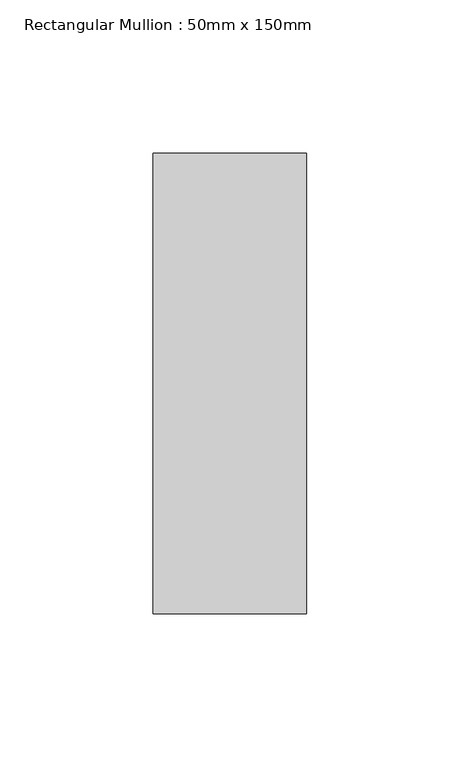
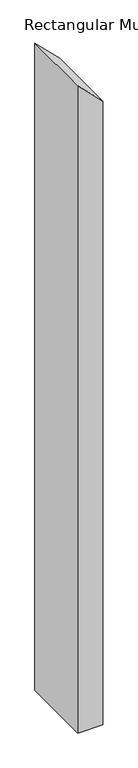
"""IFC4 building model written with IfcOpenShell, lengths in millimetres: member geometry, Rectangular Mullion : 50mm x 150mm."""

from ifc_helpers import new_model, si_unit, frame, origin, place, context, project, spatial, polyline, outline, extrude, source, transform, mapped, element, save


def rectangular_mullion_50mm_x_150mm_7304bee7(model_context):
    return source(origin(), model_context, "Body", "SweptSolid", [
        extrude(outline(polyline([(-95.7106781, 25.0), (-45.7106781, -25.0), (-1426.0050506, -25.0), (-1426.0050506, 25.0), (-95.7106781, 25.0)])), frame((0.0, -75.0, 0.0), z_axis=(0.0, 1.0, 0.0), x_axis=(0.0, 0.0, 1.0)), (0.0, 0.0, 1.0), 150.0),
    ])


if __name__ == "__main__":
    model = new_model("IFC4")
    model_context = context("Model", 3, world=origin())
    ifc_project = project(units=[si_unit("LENGTHUNIT", "METRE", prefix="MILLI")], contexts=[model_context])
    site = spatial("IfcSite", under=ifc_project)
    building = spatial("IfcBuilding", under=site)
    placement = place(None, origin())
    rectangular_mullion_50mm_x_150mm_shape = rectangular_mullion_50mm_x_150mm_7304bee7(model_context)
    element("IfcMember", 1, ObjectType="Rectangular Mullion : 50mm x 150mm", at=placement, inside=building, context=model_context, shape_type="MappedRepresentation", body=[
        mapped(rectangular_mullion_50mm_x_150mm_shape, transform((0.0, 0.0, 0.0), x_axis=(1.0, 0.0, 0.0), y_axis=(0.0, 1.0, 0.0), z_axis=(0.0, 0.0, 1.0))),
    ])
    save(model, "model.ifc")
